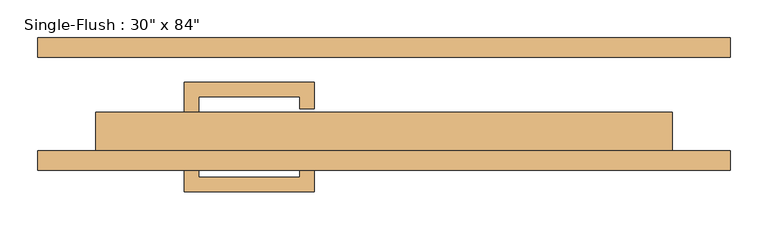
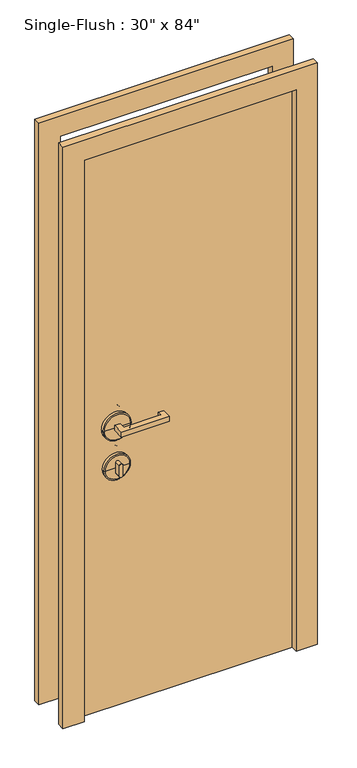
"""IFC4 building model written with IfcOpenShell, lengths in millimetres: door geometry."""

from ifc_helpers import new_model, si_unit, point, frame, frame_2d, origin, origin_with_axes, place, context, project, spatial, polyline, circle_curve, ellipse_curve, trimmed, segment, composite_curve, outline, extrude, source, transform, mapped, element, save
from ifc_brep_helpers import plane_surface, cylinder_surface, revolved_surface, advanced_brep


def door_79fd031d(model_context):
    return source(origin(), model_context, "Body", "SolidModel", [
        extrude(outline(polyline([(-244.475, -12.7), (-263.525, -12.7), (-263.525, 28.575), (-92.075, 28.575), (-92.075, -6.35), (-111.125, -6.35), (-111.125, 9.525), (-244.475, 9.525), (-244.475, -12.7)])), frame((0.0, 0.0, 1057.275), z_axis=(0.0, 0.0, 1.0), x_axis=(1.0, 0.0, 0.0)), (0.0, 0.0, 1.0), 19.05),
        extrude(outline(composite_curve([segment(trimmed(circle_curve(frame_2d((895.35, -254.0)), 6.35), [point((895.35, -260.35))], [point((895.35, -247.65))], False, "CARTESIAN"), True, "CONTINUOUS"), segment(polyline([(895.35, -247.65), (933.45, -247.65)]), True, "CONTINUOUS"), segment(trimmed(circle_curve(frame_2d((933.45, -254.0)), 6.35), [point((933.45, -247.65))], [point((933.45, -260.35))], False, "CARTESIAN"), True, "CONTINUOUS"), segment(polyline([(933.45, -260.35), (895.35, -260.35)]), True, "CONTINUOUS")], self_intersect=False)), frame((0.0, -12.7, 0.0), z_axis=(0.0, 1.0, 0.0), x_axis=(0.0, 0.0, 1.0)), (0.0, 0.0, 1.0), 22.225),
        advanced_brep(
        [(-206.375, -15.875, 914.4), (-301.625, -15.875, 914.4), (-301.625, -25.4, 914.4), (-206.375, -25.4, 914.4), (-209.55, -12.7, 914.4), (-298.45, -12.7, 914.4), (-254.0, -12.7, 914.4), (-254.0, -25.4, 914.4)],
        [
            (0, 1, circle_curve(frame((-254.0, -15.875, 914.4), z_axis=(0.0, -1.0, 0.0), x_axis=(-1.0, 0.0, 0.0)), 47.625)),
            (1, 2),
            (2, 3, circle_curve(frame((-254.0, -25.4, 914.4), z_axis=(0.0, 1.0, 0.0), x_axis=(-1.0, 0.0, 0.0)), 47.625)),
            (3, 0),
            (1, 0, circle_curve(frame((-254.0, -15.875, 914.4), z_axis=(0.0, -1.0, 0.0), x_axis=(-1.0, 0.0, 0.0)), 47.625)),
            (3, 2, circle_curve(frame((-254.0, -25.4, 914.4), z_axis=(0.0, 1.0, 0.0), x_axis=(-1.0, 0.0, 0.0)), 47.625)),
            (4, 5, circle_curve(frame((-254.0, -12.7, 914.4), z_axis=(0.0, -1.0, 0.0), x_axis=(-1.0, 0.0, 0.0)), 44.45)),
            (5, 1, circle_curve(frame((-298.45, -15.875, 914.4), z_axis=(0.0, 0.0, 1.0), x_axis=(1.0, 0.0, 0.0)), 3.175)),
            (0, 4, circle_curve(frame((-209.55, -15.875, 914.4), z_axis=(0.0, 0.0, 1.0), x_axis=(-1.0, 0.0, 0.0)), 3.175)),
            (5, 4, circle_curve(frame((-254.0, -12.7, 914.4), z_axis=(0.0, -1.0, 0.0), x_axis=(-1.0, 0.0, 0.0)), 44.45)),
            (6, 5),
            (4, 6),
            (2, 7),
            (7, 3),
        ],
        [
            cylinder_surface(frame((-254.0, -152.4, 914.4), z_axis=(0.0, 1.0, 0.0), x_axis=(-1.0, 0.0, 0.0)), 47.625),
            revolved_surface(trimmed(ellipse_curve(frame((-298.45, -15.875, 914.4), z_axis=(0.0, 0.0, -1.0), x_axis=(1.0, 0.0, 0.0)), 3.175, 3.175), [point((-301.625, -15.875, 914.4))], [point((-298.45, -12.7, 914.4))], True, "CARTESIAN"), (-254.0, -152.4, 914.4), (0.0, 1.0, 0.0)),
            plane_surface(frame((-254.0, -12.7, 914.4), z_axis=(0.0, 1.0, 0.0), x_axis=(-1.0, 0.0, 0.0))),
            plane_surface(frame((-254.0, -25.4, 914.4), z_axis=(0.0, -1.0, 0.0), x_axis=(-1.0, 0.0, 0.0))),
        ],
        [
            (0, [[1, 2, 3, 4]]),
            (0, [[5, -4, 6, -2]]),
            (1, [[7, 8, -1, 9]]),
            (1, [[10, -9, -5, -8]]),
            (2, [[11, -7, 12]]),
            (2, [[-12, -10, -11]]),
            (3, [[-3, 13, 14]]),
            (3, [[-6, -14, -13]]),
        ],
    ),
        advanced_brep(
        [(-203.2, -15.875, 1066.8), (-304.8, -15.875, 1066.8), (-304.8, -25.4, 1066.8), (-203.2, -25.4, 1066.8), (-206.375, -12.7, 1066.8), (-301.625, -12.7, 1066.8), (-254.0, -12.7, 1066.8), (-254.0, -25.4, 1066.8)],
        [
            (0, 1, circle_curve(frame((-254.0, -15.875, 1066.8), z_axis=(0.0, -1.0, 0.0), x_axis=(-1.0, 0.0, 0.0)), 50.8)),
            (1, 2),
            (2, 3, circle_curve(frame((-254.0, -25.4, 1066.8), z_axis=(0.0, 1.0, 0.0), x_axis=(-1.0, 0.0, 0.0)), 50.8)),
            (3, 0),
            (1, 0, circle_curve(frame((-254.0, -15.875, 1066.8), z_axis=(0.0, -1.0, 0.0), x_axis=(-1.0, 0.0, 0.0)), 50.8)),
            (3, 2, circle_curve(frame((-254.0, -25.4, 1066.8), z_axis=(0.0, 1.0, 0.0), x_axis=(-1.0, 0.0, 0.0)), 50.8)),
            (4, 5, circle_curve(frame((-254.0, -12.7, 1066.8), z_axis=(0.0, -1.0, 0.0), x_axis=(-1.0, 0.0, 0.0)), 47.625)),
            (5, 1, circle_curve(frame((-301.625, -15.875, 1066.8), z_axis=(0.0, 0.0, 1.0), x_axis=(1.0, 0.0, 0.0)), 3.175)),
            (0, 4, circle_curve(frame((-206.375, -15.875, 1066.8), z_axis=(0.0, 0.0, 1.0), x_axis=(-1.0, 0.0, 0.0)), 3.175)),
            (5, 4, circle_curve(frame((-254.0, -12.7, 1066.8), z_axis=(0.0, -1.0, 0.0), x_axis=(-1.0, 0.0, 0.0)), 47.625)),
            (6, 5),
            (4, 6),
            (2, 7),
            (7, 3),
        ],
        [
            cylinder_surface(frame((-254.0, -152.4, 1066.8), z_axis=(0.0, 1.0, 0.0), x_axis=(-1.0, 0.0, 0.0)), 50.8),
            revolved_surface(trimmed(ellipse_curve(frame((-301.625, -15.875, 1066.8), z_axis=(0.0, 0.0, -1.0), x_axis=(1.0, 0.0, 0.0)), 3.175, 3.175), [point((-304.8, -15.875, 1066.8))], [point((-301.625, -12.7, 1066.8))], True, "CARTESIAN"), (-254.0, -152.4, 1066.8), (0.0, 1.0, 0.0)),
            plane_surface(frame((-254.0, -12.7, 1066.8), z_axis=(0.0, 1.0, 0.0), x_axis=(-1.0, 0.0, 0.0))),
            plane_surface(frame((-254.0, -25.4, 1066.8), z_axis=(0.0, -1.0, 0.0), x_axis=(-1.0, 0.0, 0.0))),
        ],
        [
            (0, [[1, 2, 3, 4]]),
            (0, [[5, -4, 6, -2]]),
            (1, [[7, 8, -1, 9]]),
            (1, [[10, -9, -5, -8]]),
            (2, [[11, -7, 12]]),
            (2, [[-12, -10, -11]]),
            (3, [[-3, 13, 14]]),
            (3, [[-6, -14, -13]]),
        ],
    ),
        extrude(outline(polyline([(-244.475, -74.6125), (-244.475, -96.8375), (-111.125, -96.8375), (-111.125, -80.9625), (-92.075, -80.9625), (-92.075, -115.8875), (-263.525, -115.8875), (-263.525, -74.6125), (-244.475, -74.6125)])), frame((0.0, 0.0, 1057.275), z_axis=(0.0, 0.0, 1.0), x_axis=(1.0, 0.0, 0.0)), (0.0, 0.0, 1.0), 19.05),
        extrude(outline(composite_curve([segment(trimmed(circle_curve(frame_2d((895.35, -254.0)), 6.35), [point((895.35, -260.35))], [point((895.35, -247.65))], False, "CARTESIAN"), True, "CONTINUOUS"), segment(polyline([(895.35, -247.65), (933.45, -247.65)]), True, "CONTINUOUS"), segment(trimmed(circle_curve(frame_2d((933.45, -254.0)), 6.35), [point((933.45, -247.65))], [point((933.45, -260.35))], False, "CARTESIAN"), True, "CONTINUOUS"), segment(polyline([(933.45, -260.35), (895.35, -260.35)]), True, "CONTINUOUS")], self_intersect=False)), frame((0.0, -96.8375, 0.0), z_axis=(0.0, 1.0, 0.0), x_axis=(0.0, 0.0, 1.0)), (0.0, 0.0, 1.0), 22.225),
        advanced_brep(
        [(-206.375, -71.4375, 914.4), (-206.375, -61.9125, 914.4), (-301.625, -61.9125, 914.4), (-301.625, -71.4375, 914.4), (-209.55, -74.6125, 914.4), (-298.45, -74.6125, 914.4), (-254.0, -74.6125, 914.4), (-254.0, -61.9125, 914.4)],
        [
            (0, 1),
            (1, 2, circle_curve(frame((-254.0, -61.9125, 914.4), z_axis=(0.0, -1.0, 0.0), x_axis=(-1.0, 0.0, 0.0)), 47.625)),
            (2, 3),
            (3, 0, circle_curve(frame((-254.0, -71.4375, 914.4), z_axis=(0.0, 1.0, 0.0), x_axis=(-1.0, 0.0, 0.0)), 47.625)),
            (2, 1, circle_curve(frame((-254.0, -61.9125, 914.4), z_axis=(0.0, -1.0, 0.0), x_axis=(-1.0, 0.0, 0.0)), 47.625)),
            (0, 3, circle_curve(frame((-254.0, -71.4375, 914.4), z_axis=(0.0, 1.0, 0.0), x_axis=(-1.0, 0.0, 0.0)), 47.625)),
            (4, 0, circle_curve(frame((-209.55, -71.4375, 914.4), z_axis=(0.0, 0.0, 1.0), x_axis=(-1.0, 0.0, 0.0)), 3.175)),
            (3, 5, circle_curve(frame((-298.45, -71.4375, 914.4), z_axis=(0.0, 0.0, 1.0), x_axis=(1.0, 0.0, 0.0)), 3.175)),
            (5, 4, circle_curve(frame((-254.0, -74.6125, 914.4), z_axis=(0.0, 1.0, 0.0), x_axis=(-1.0, 0.0, 0.0)), 44.45)),
            (4, 5, circle_curve(frame((-254.0, -74.6125, 914.4), z_axis=(0.0, 1.0, 0.0), x_axis=(-1.0, 0.0, 0.0)), 44.45)),
            (6, 4),
            (5, 6),
            (1, 7),
            (7, 2),
        ],
        [
            cylinder_surface(frame((-254.0, 65.0875, 914.4), z_axis=(0.0, -1.0, 0.0), x_axis=(-1.0, 0.0, 0.0)), 47.625),
            revolved_surface(trimmed(ellipse_curve(frame((-298.45, -71.4375, 914.4), z_axis=(0.0, 0.0, 1.0), x_axis=(1.0, 0.0, 0.0)), 3.175, 3.175), [point((-301.625, -71.4375, 914.4))], [point((-298.45, -74.6125, 914.4))], True, "CARTESIAN"), (-254.0, 65.0875, 914.4), (0.0, -1.0, 0.0)),
            plane_surface(frame((-254.0, -74.6125, 914.4), z_axis=(0.0, -1.0, 0.0), x_axis=(-1.0, 0.0, 0.0))),
            plane_surface(frame((-254.0, -61.9125, 914.4), z_axis=(0.0, 1.0, 0.0), x_axis=(-1.0, 0.0, 0.0))),
        ],
        [
            (0, [[1, 2, 3, 4]]),
            (0, [[-3, 5, -1, 6]]),
            (1, [[7, -4, 8, 9]]),
            (1, [[-8, -6, -7, 10]]),
            (2, [[11, -9, 12]]),
            (2, [[-12, -10, -11]]),
            (3, [[13, 14, -2]]),
            (3, [[-14, -13, -5]]),
        ],
    ),
        advanced_brep(
        [(-203.2, -71.4375, 1066.8), (-203.2, -61.9125, 1066.8), (-304.8, -61.9125, 1066.8), (-304.8, -71.4375, 1066.8), (-206.375, -74.6125, 1066.8), (-301.625, -74.6125, 1066.8), (-254.0, -74.6125, 1066.8), (-254.0, -61.9125, 1066.8)],
        [
            (0, 1),
            (1, 2, circle_curve(frame((-254.0, -61.9125, 1066.8), z_axis=(0.0, -1.0, 0.0), x_axis=(-1.0, 0.0, 0.0)), 50.8)),
            (2, 3),
            (3, 0, circle_curve(frame((-254.0, -71.4375, 1066.8), z_axis=(0.0, 1.0, 0.0), x_axis=(-1.0, 0.0, 0.0)), 50.8)),
            (2, 1, circle_curve(frame((-254.0, -61.9125, 1066.8), z_axis=(0.0, -1.0, 0.0), x_axis=(-1.0, 0.0, 0.0)), 50.8)),
            (0, 3, circle_curve(frame((-254.0, -71.4375, 1066.8), z_axis=(0.0, 1.0, 0.0), x_axis=(-1.0, 0.0, 0.0)), 50.8)),
            (4, 0, circle_curve(frame((-206.375, -71.4375, 1066.8), z_axis=(0.0, 0.0, 1.0), x_axis=(-1.0, 0.0, 0.0)), 3.175)),
            (3, 5, circle_curve(frame((-301.625, -71.4375, 1066.8), z_axis=(0.0, 0.0, 1.0), x_axis=(1.0, 0.0, 0.0)), 3.175)),
            (5, 4, circle_curve(frame((-254.0, -74.6125, 1066.8), z_axis=(0.0, 1.0, 0.0), x_axis=(-1.0, 0.0, 0.0)), 47.625)),
            (4, 5, circle_curve(frame((-254.0, -74.6125, 1066.8), z_axis=(0.0, 1.0, 0.0), x_axis=(-1.0, 0.0, 0.0)), 47.625)),
            (6, 4),
            (5, 6),
            (1, 7),
            (7, 2),
        ],
        [
            cylinder_surface(frame((-254.0, 65.0875, 1066.8), z_axis=(0.0, -1.0, 0.0), x_axis=(-1.0, 0.0, 0.0)), 50.8),
            revolved_surface(trimmed(ellipse_curve(frame((-301.625, -71.4375, 1066.8), z_axis=(0.0, 0.0, 1.0), x_axis=(1.0, 0.0, 0.0)), 3.175, 3.175), [point((-304.8, -71.4375, 1066.8))], [point((-301.625, -74.6125, 1066.8))], True, "CARTESIAN"), (-254.0, 65.0875, 1066.8), (0.0, -1.0, 0.0)),
            plane_surface(frame((-254.0, -74.6125, 1066.8), z_axis=(0.0, -1.0, 0.0), x_axis=(-1.0, 0.0, 0.0))),
            plane_surface(frame((-254.0, -61.9125, 1066.8), z_axis=(0.0, 1.0, 0.0), x_axis=(-1.0, 0.0, 0.0))),
        ],
        [
            (0, [[1, 2, 3, 4]]),
            (0, [[-3, 5, -1, 6]]),
            (1, [[7, -4, 8, 9]]),
            (1, [[-8, -6, -7, 10]]),
            (2, [[11, -9, 12]]),
            (2, [[-12, -10, -11]]),
            (3, [[13, 14, -2]]),
            (3, [[-14, -13, -5]]),
        ],
    ),
        extrude(outline(polyline([(2209.8, -457.2), (0.0, -457.2), (0.0, -381.0), (2133.6, -381.0), (2133.6, 381.0), (0.0, 381.0), (0.0, 457.2), (2209.8, 457.2), (2209.8, -457.2)])), frame((0.0, -87.3125, 0.0), z_axis=(0.0, 1.0, 0.0), x_axis=(0.0, 0.0, 1.0)), (0.0, 0.0, 1.0), 25.4),
        extrude(outline(polyline([(2209.8, 457.2), (2209.8, -457.2), (0.0, -457.2), (0.0, -381.0), (2133.6, -381.0), (2133.6, 381.0), (0.0, 381.0), (0.0, 457.2), (2209.8, 457.2)])), frame((0.0, 61.9125, 0.0), z_axis=(0.0, 1.0, 0.0), x_axis=(0.0, 0.0, 1.0)), (0.0, 0.0, 1.0), 25.4),
        extrude(outline(polyline([(381.0, -11.1125), (381.0, -61.9125), (-381.0, -61.9125), (-381.0, -11.1125), (381.0, -11.1125)])), origin_with_axes(), (0.0, 0.0, 1.0), 2133.6),
    ])


if __name__ == "__main__":
    model = new_model("IFC4")
    model_context = context("Model", 3, world=origin())
    ifc_project = project(units=[si_unit("LENGTHUNIT", "METRE", prefix="MILLI")], contexts=[model_context])
    site = spatial("IfcSite", under=ifc_project)
    building = spatial("IfcBuilding", under=site)
    placement = place(None, origin())
    door_shape = door_79fd031d(model_context)
    element("IfcDoor", 1, ObjectType="Single-Flush : 30\" x 84\"", at=placement, inside=building, context=model_context, shape_type="MappedRepresentation", body=[
        mapped(door_shape, transform((0.0, 0.0, 0.0), x_axis=(1.0, 0.0, 0.0), y_axis=(0.0, 1.0, 0.0), z_axis=(0.0, 0.0, 1.0))),
    ])
    save(model, "model.ifc")
